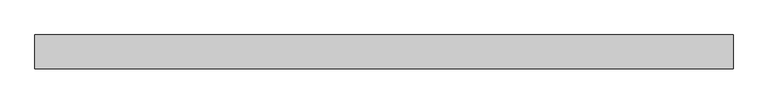
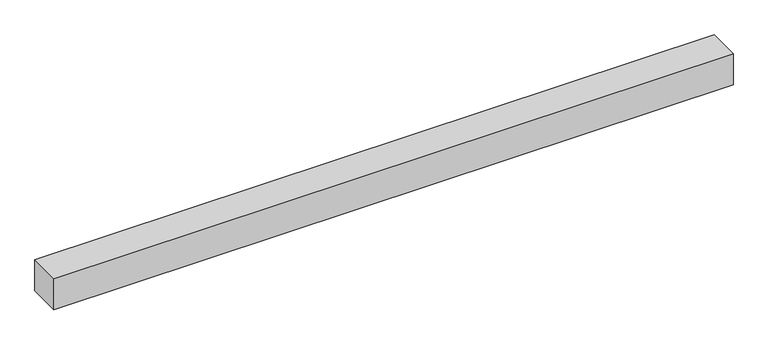
"""IFC4 building model written with IfcOpenShell, lengths in millimetres: beam geometry."""

from ifc_helpers import new_model, si_unit, frame, origin, place, context, project, spatial, polyline, outline, extrude, source, transform, mapped, element, save


def beam_e989e363(model_context):
    return source(origin(), model_context, "Body", "SweptSolid", [
        extrude(outline(polyline([(5062.5, 75.0), (5062.5, -75.0), (1962.5, -75.0), (1962.5, 75.0), (5062.5, 75.0)])), frame((0.0, 0.0, -75.0), z_axis=(0.0, 0.0, 1.0), x_axis=(1.0, 0.0, 0.0)), (0.0, 0.0, 1.0), 150.0),
    ])


if __name__ == "__main__":
    model = new_model("IFC4")
    model_context = context("Model", 3, world=origin())
    ifc_project = project(units=[si_unit("LENGTHUNIT", "METRE", prefix="MILLI")], contexts=[model_context])
    site = spatial("IfcSite", under=ifc_project)
    building = spatial("IfcBuilding", under=site)
    placement = place(None, origin())
    beam_shape = beam_e989e363(model_context)
    element("IfcBeam", 1, at=placement, inside=building, context=model_context, shape_type="MappedRepresentation", body=[
        mapped(beam_shape, transform((0.0, 0.0, 0.0), x_axis=(1.0, 0.0, 0.0), y_axis=(0.0, 1.0, 0.0), z_axis=(0.0, 0.0, 1.0))),
    ])
    save(model, "model.ifc")
